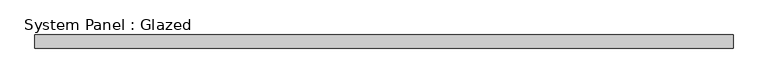
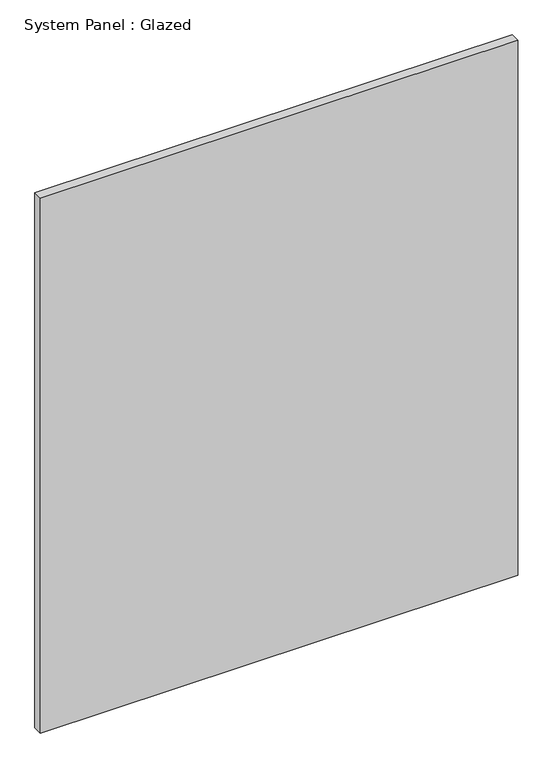
"""IFC4 building model written with IfcOpenShell, lengths in millimetres: plate geometry, System Panel : Glazed."""

from ifc_helpers import new_model, si_unit, origin, origin_with_axes, place, context, project, spatial, polyline, outline, extrude, source, transform, mapped, element, save


def system_panel_glazed_634be5d8(model_context):
    return source(origin(), model_context, "Body", "SweptSolid", [
        extrude(outline(polyline([(643.75, 24.5), (-643.75, 24.5), (-643.75, 49.5), (643.75, 49.5), (643.75, 24.5)])), origin_with_axes(), (0.0, 0.0, 1.0), 1525.0),
    ])


if __name__ == "__main__":
    model = new_model("IFC4")
    model_context = context("Model", 3, world=origin())
    ifc_project = project(units=[si_unit("LENGTHUNIT", "METRE", prefix="MILLI")], contexts=[model_context])
    site = spatial("IfcSite", under=ifc_project)
    building = spatial("IfcBuilding", under=site)
    placement = place(None, origin())
    system_panel_glazed_shape = system_panel_glazed_634be5d8(model_context)
    element("IfcPlate", 1, ObjectType="System Panel : Glazed", at=placement, inside=building, context=model_context, shape_type="MappedRepresentation", body=[
        mapped(system_panel_glazed_shape, transform((0.0, 0.0, 0.0), x_axis=(1.0, 0.0, 0.0), y_axis=(0.0, 1.0, 0.0), z_axis=(0.0, 0.0, 1.0))),
    ])
    save(model, "model.ifc")
